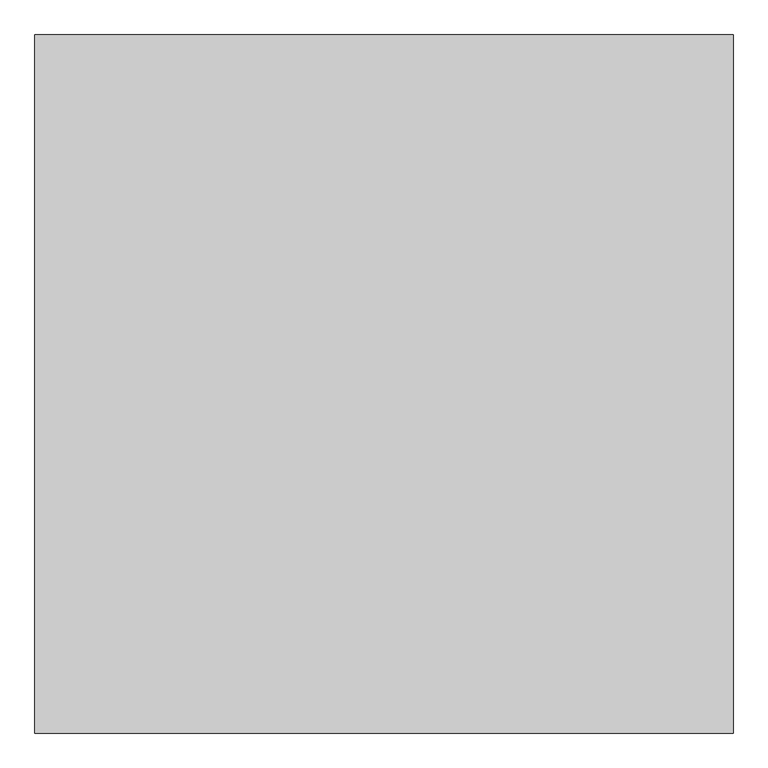
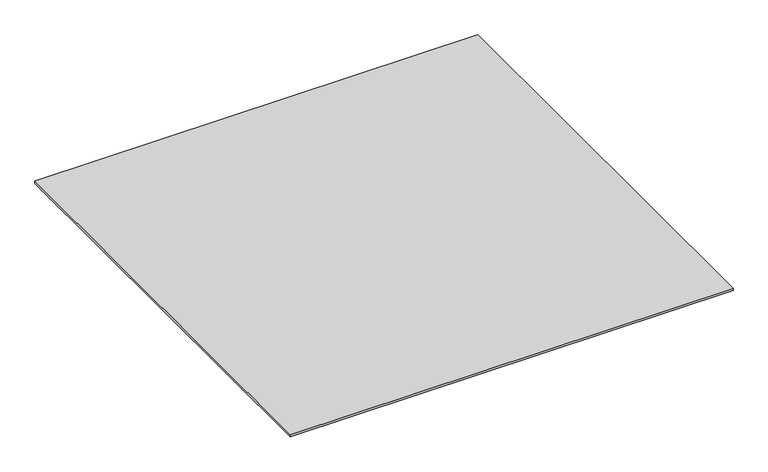
"""IFC4 building model written with IfcOpenShell, lengths in millimetres: proxy geometry."""

from ifc_helpers import new_model, si_unit, origin, origin_with_axes, place, context, project, spatial, polyline, outline, extrude, source, transform, mapped, element, save


def generic_models_e18f4319(model_context):
    return source(origin(), model_context, "Body", "SweptSolid", [
        extrude(outline(polyline([(-5796.9237868, -24287.355679), (-5796.9237868, -25287.355679), (-6796.9237868, -25287.355679), (-6796.9237868, -24287.355679), (-5796.9237868, -24287.355679)])), origin_with_axes(), (0.0, 0.0, 1.0), 5.0),
    ])


if __name__ == "__main__":
    model = new_model("IFC4")
    model_context = context("Model", 3, world=origin())
    ifc_project = project(units=[si_unit("LENGTHUNIT", "METRE", prefix="MILLI")], contexts=[model_context])
    site = spatial("IfcSite", under=ifc_project)
    building = spatial("IfcBuilding", under=site)
    placement = place(None, origin())
    generic_models_shape = generic_models_e18f4319(model_context)
    element("IfcBuildingElementProxy", 1, Name="Generic Models", at=placement, inside=building, context=model_context, shape_type="MappedRepresentation", body=[
        mapped(generic_models_shape, transform((0.0, 0.0, 0.0), x_axis=(1.0, 0.0, 0.0), y_axis=(0.0, 1.0, 0.0), z_axis=(0.0, 0.0, 1.0))),
    ])
    save(model, "model.ifc")
